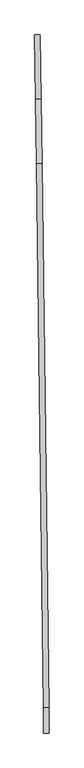
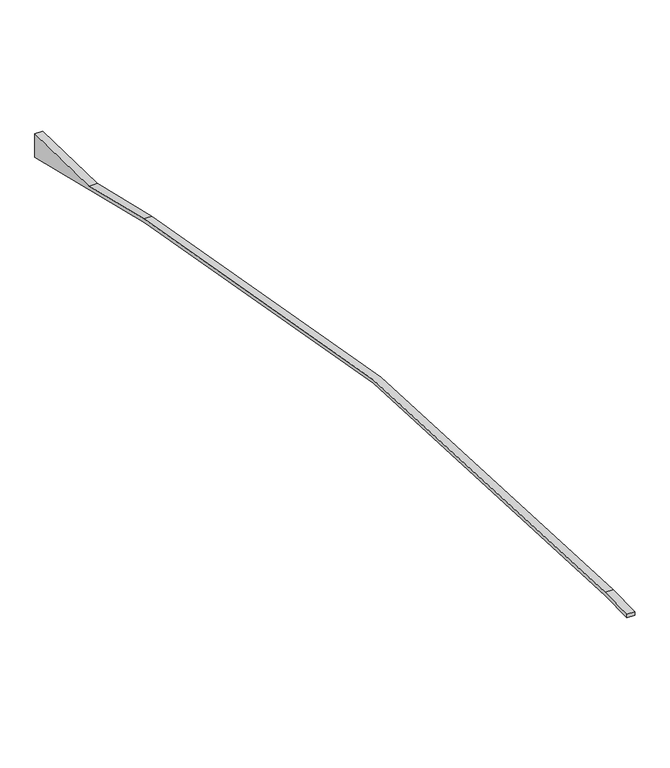
"""IFC4 building model written with IfcOpenShell, lengths in millimetres: proxy geometry."""

from ifc_helpers import new_model, si_unit, point, frame, frame_2d, origin, place, context, project, spatial, polyline, circle_curve, trimmed, segment, composite_curve, outline, extrude, source, transform, mapped, element, save


def generic_models_4c9db227(model_context):
    return source(origin(), model_context, "Body", "SweptSolid", [
        extrude(outline(composite_curve([segment(polyline([(0.0, 0.0), (557.5958213, 0.0), (-403.6583403, -4147.1366374)]), True, "CONTINUOUS"), segment(trimmed(circle_curve(frame_2d((64777.7337484, -19255.3642854)), 66909.4344415), [point((-403.6583403, -4147.1366374))], [point((-2091.0278609, -21587.9890133))], True, "CARTESIAN"), True, "CONTINUOUS"), segment(polyline([(-2091.0278609, -21587.9890133), (-2062.587073, -22403.2938682), (-2142.5384427, -22406.0828617), (-2170.9792306, -21590.7780068)]), True, "CONTINUOUS"), segment(trimmed(circle_curve(frame_2d((64777.7337484, -19255.3642854)), 66989.4344415), [point((-2170.9792306, -21590.7780068))], [point((-481.5922133, -4129.072545))], False, "CARTESIAN"), True, "CONTINUOUS"), segment(polyline([(-481.5922133, -4129.072545), (0.0, -2051.3403574), (0.0, 0.0)]), True, "CONTINUOUS")], self_intersect=False)), frame((-55806.1272191, 123110.6378651, 12707.510431), z_axis=(0.9999164002112129, 0.01293029731482283, 0.0), x_axis=(0.0, 0.0, -1.0)), (0.0, 0.0, 1.0), 176.7430295),
    ])


if __name__ == "__main__":
    model = new_model("IFC4")
    model_context = context("Model", 3, world=origin())
    ifc_project = project(units=[si_unit("LENGTHUNIT", "METRE", prefix="MILLI")], contexts=[model_context])
    site = spatial("IfcSite", under=ifc_project)
    building = spatial("IfcBuilding", under=site)
    placement = place(None, origin())
    generic_models_shape = generic_models_4c9db227(model_context)
    element("IfcBuildingElementProxy", 1, Name="Generic Models", at=placement, inside=building, context=model_context, shape_type="MappedRepresentation", body=[
        mapped(generic_models_shape, transform((0.0, 0.0, 0.0), x_axis=(1.0, 0.0, 0.0), y_axis=(0.0, 1.0, 0.0), z_axis=(0.0, 0.0, 1.0))),
    ])
    save(model, "model.ifc")
